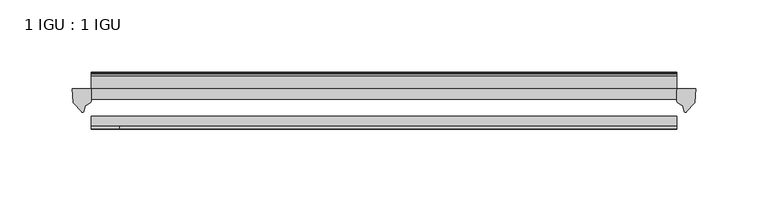
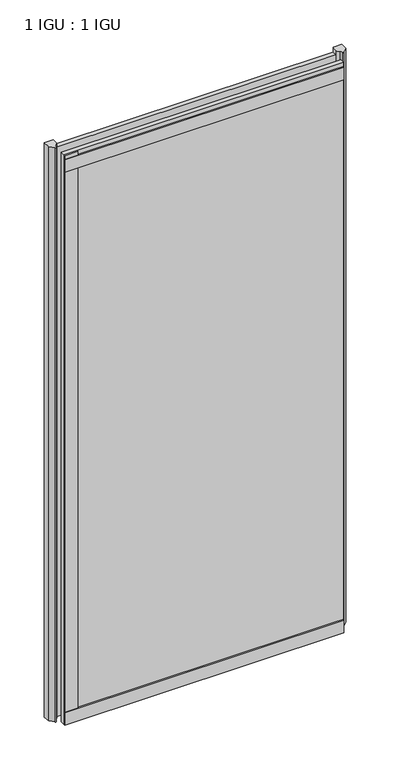
"""IFC4 building model written with IfcOpenShell, lengths in millimetres: plate geometry, 1 IGU : 1 IGU."""

from ifc_helpers import new_model, si_unit, point, frame, frame_2d, origin, place, context, project, spatial, polyline, circle_curve, trimmed, segment, composite_curve, outline, extrude, source, transform, mapped, element, save


def plate_1_igu_1_igu_c9a460d9(model_context):
    return source(origin(), model_context, "Body", "SweptSolid", [
        extrude(outline(polyline([(100.7519732, -11.6085937), (100.7519732, -18.8576359), (-302.9597857, -18.8576359), (-302.9597857, -11.6085937), (100.7519732, -11.6085937)])), frame((0.0, 0.0, -19.05), z_axis=(0.0, 0.0, 1.0), x_axis=(1.0, 0.0, 0.0)), (0.0, 0.0, 1.0), 869.9409101),
        extrude(outline(polyline([(-302.9597857, -30.7093937), (100.7519732, -30.7093937), (100.7519732, -37.0085937), (-302.9597857, -37.0085937), (-302.9597857, -30.7093937)])), frame((0.0, 0.0, -19.05), z_axis=(0.0, 0.0, 1.0), x_axis=(1.0, 0.0, 0.0)), (0.0, 0.0, 1.0), 869.9409101),
        extrude(outline(composite_curve([segment(polyline([(113.8298823, -11.6101465), (113.4519732, -21.3502133), (107.5139199, -27.6095865)]), True, "CONTINUOUS"), segment(trimmed(circle_curve(frame_2d((106.8411139, -27.2518492)), 0.762), [point((107.5139199, -27.6095865))], [point((106.1124096, -27.4746364))], False, "CARTESIAN"), True, "CONTINUOUS"), segment(polyline([(106.1124096, -27.4746364), (104.8505751, -23.3488397)]), True, "CONTINUOUS"), segment(trimmed(circle_curve(frame_2d((107.0325322, -16.3834724)), 7.2991286), [point((104.8505751, -23.3488397))], [point((100.7521518, -20.1028944))], False, "CARTESIAN"), True, "CONTINUOUS"), segment(polyline([(100.7521518, -20.1028944), (100.7521518, -12.664425)]), True, "CONTINUOUS"), segment(trimmed(circle_curve(frame_2d((107.0334063, -16.3827796)), 7.2993369), [point((100.7521518, -12.664425))], [point((101.5105182, -11.6101465))], False, "CARTESIAN"), True, "CONTINUOUS"), segment(polyline([(101.5105182, -11.6101465), (113.8298823, -11.6101465)]), True, "CONTINUOUS")], self_intersect=False)), frame((0.0, 0.0, -19.05), z_axis=(0.0, 0.0, 1.0), x_axis=(1.0, 0.0, 0.0)), (0.0, 0.0, 1.0), 877.0783101),
        extrude(outline(composite_curve([segment(polyline([(-302.9597857, -11.610702), (-302.9597857, -20.1014769)]), True, "CONTINUOUS"), segment(trimmed(circle_curve(frame_2d((-309.24098, -16.3829847)), 7.2993552), [point((-302.9597857, -20.1014769))], [point((-307.0587354, -23.3484994))], False, "CARTESIAN"), True, "CONTINUOUS"), segment(polyline([(-307.0587354, -23.3484994), (-308.3202221, -27.4746364)]), True, "CONTINUOUS"), segment(trimmed(circle_curve(frame_2d((-309.0489264, -27.2518492)), 0.762), [point((-308.3202221, -27.4746364))], [point((-309.7217324, -27.6095865))], False, "CARTESIAN"), True, "CONTINUOUS"), segment(polyline([(-309.7217324, -27.6095865), (-315.6597857, -21.3502133), (-316.0376948, -11.610702), (-302.9597857, -11.610702)]), True, "CONTINUOUS")], self_intersect=False)), frame((0.0, 0.0, -19.05), z_axis=(0.0, 0.0, 1.0), x_axis=(1.0, 0.0, 0.0)), (0.0, 0.0, 1.0), 877.0783101),
        extrude(outline(polyline([(-302.9597857, -39.2945937), (-302.9597857, -37.0085937), (100.7519732, -37.0085937), (100.7519732, -39.2945937), (-302.9597857, -39.2945937)])), frame((0.0, 0.0, -19.05), z_axis=(0.0, 0.0, 1.0), x_axis=(1.0, 0.0, 0.0)), (0.0, 0.0, 1.0), 19.05),
        extrude(outline(composite_curve([segment(trimmed(circle_curve(frame_2d((-2.5575611, 32.8538976)), 31.3272753), [point((-11.6085937, 2.8626158))], [point((-2.2024699, 1.5286348))], True, "CARTESIAN"), True, "CONTINUOUS"), segment(polyline([(-2.2024699, 1.5286348), (-2.2024699, 0.0), (-5.2585937, 0.0), (-5.2585937, -5.2345509), (-3.3544944, -5.5797863), (-5.2585937, -8.255), (-5.2585937, -11.471876)]), True, "CONTINUOUS"), segment(trimmed(circle_curve(frame_2d((-6.5285937, -11.471876)), 1.27), [point((-5.2585937, -11.471876))], [point((-7.4547667, -12.340843))], False, "CARTESIAN"), True, "CONTINUOUS"), segment(polyline([(-7.4547667, -12.340843), (-11.6085937, -7.9135609), (-11.6085937, 2.8626158)]), True, "CONTINUOUS")], self_intersect=False)), frame((-302.9597857, 0.0, 0.0), z_axis=(1.0, 0.0, 0.0), x_axis=(0.0, 1.0, 0.0)), (0.0, 0.0, 1.0), 403.7117589),
        extrude(outline(composite_curve([segment(polyline([(-3.0995937, 840.8103314), (-3.0995937, 838.7783314), (-5.2585937, 838.7783314), (-5.2585937, 833.4443314), (-1.5755937, 833.4443314), (-1.5755937, 830.3963314), (-5.2585937, 830.3963314), (-5.2585937, 825.5703314), (-0.5298657, 826.2349108), (-0.4061408, 825.3545625)]), True, "CONTINUOUS"), segment(trimmed(circle_curve(frame_2d((-1.4122531, 825.2131626)), 1.016), [point((-0.4061408, 825.3545625))], [point((-1.2708533, 824.2070502))], False, "CARTESIAN"), True, "CONTINUOUS"), segment(polyline([(-1.2708533, 824.2070502), (-11.6085937, 822.7541756), (-11.6085937, 840.8103314), (-3.0995937, 840.8103314)]), True, "CONTINUOUS")], self_intersect=False)), frame((-302.9597857, 0.0, 0.0), z_axis=(1.0, 0.0, 0.0), x_axis=(0.0, 1.0, 0.0)), (0.0, 0.0, 1.0), 403.7117589),
        extrude(outline(polyline([(-302.9597857, -39.2945937), (-302.9597857, -37.0085937), (100.7519732, -37.0085937), (100.7519732, -39.2945937), (-302.9597857, -39.2945937)])), frame((0.0, 0.0, 825.4909101), z_axis=(0.0, 0.0, 1.0), x_axis=(1.0, 0.0, 0.0)), (0.0, 0.0, 1.0), 19.05),
        extrude(outline(polyline([(-302.9597857, -39.2945937), (-302.9597857, -37.0085937), (-283.9097857, -37.0085937), (-283.9097857, -39.2945937), (-302.9597857, -39.2945937)])), frame((0.0, 0.0, -19.05), z_axis=(0.0, 0.0, 1.0), x_axis=(1.0, 0.0, 0.0)), (0.0, 0.0, 1.0), 869.9409101),
    ])


if __name__ == "__main__":
    model = new_model("IFC4")
    model_context = context("Model", 3, world=origin())
    ifc_project = project(units=[si_unit("LENGTHUNIT", "METRE", prefix="MILLI")], contexts=[model_context])
    site = spatial("IfcSite", under=ifc_project)
    building = spatial("IfcBuilding", under=site)
    placement = place(None, origin())
    plate_1_igu_1_igu_shape = plate_1_igu_1_igu_c9a460d9(model_context)
    element("IfcPlate", 1, ObjectType="1 IGU : 1 IGU", at=placement, inside=building, context=model_context, shape_type="MappedRepresentation", body=[
        mapped(plate_1_igu_1_igu_shape, transform((0.0, 0.0, 0.0), x_axis=(1.0, 0.0, 0.0), y_axis=(0.0, 1.0, 0.0), z_axis=(0.0, 0.0, 1.0))),
    ])
    save(model, "model.ifc")
